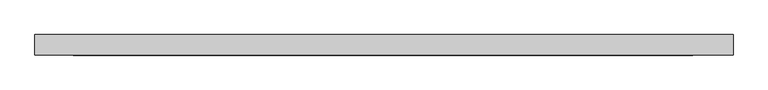
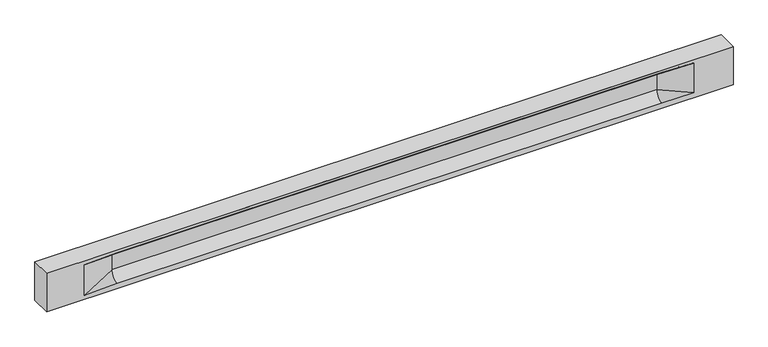
"""IFC4 building model written with IfcOpenShell, lengths in millimetres: beam geometry."""

import ifcopenshell
import ifcopenshell.guid

model = None  # the IFC model being written
_history = None  # IfcOwnerHistory: only IFC2X3 demands one
_inside = {}  # id of a spatial element -> (the spatial element, [elements in it])
_under = {}  # id of a project, library or spatial element -> (it, [spatial elements below it])
_declared = {}  # id of a project -> (the project, [libraries it declares])
_typed = {}  # id of a type object -> (the type object, [elements of that type])
_made_of = {}  # id of a material, layer set ... -> (it, [elements and type objects made of it])


def new_model(schema):
    """Start an empty IFC model of exactly this schema.

    Asked for "IFC4X3", IfcOpenShell would pick the latest addendum, in which some entities
    have other attributes; the version numbers below select the first issue.
    IFC2X3 requires an IfcOwnerHistory on every rooted entity: one is made here for all.
    """
    global model, _history
    if schema == "IFC4X3":
        model = ifcopenshell.file(schema_version=(4, 3, 0, 0))
    else:
        model = ifcopenshell.file(schema=schema)
    _inside.clear()
    _under.clear()
    _declared.clear()
    _typed.clear()
    _made_of.clear()
    _history = None
    if model.schema == "IFC2X3":
        org = make("IfcOrganization", Name="unknown")
        user = make(
            "IfcPersonAndOrganization",
            ThePerson=make("IfcPerson", FamilyName="unknown"),
            TheOrganization=org,
        )
        app = make(
            "IfcApplication",
            ApplicationDeveloper=org,
            Version="unknown",
            ApplicationFullName="unknown",
            ApplicationIdentifier="unknown",
        )
        _history = make(
            "IfcOwnerHistory",
            OwningUser=user,
            OwningApplication=app,
            ChangeAction="ADDED",
            CreationDate=0,
        )
    return model


def make(cls, **values):
    """One entity of the class cls with the attributes given. An attribute that is None is left unset."""
    return model.create_entity(
        cls, **{name: value for name, value in values.items() if value is not None}
    )


def rooted(cls, **values):
    """An entity with a GlobalId (a new one), such as an element, a storey or a relation."""
    return make(cls, GlobalId=ifcopenshell.guid.new(), OwnerHistory=_history, **values)


def si_unit(unit_type, name, prefix=None):
    """IfcSIUnit, for example si_unit("LENGTHUNIT", "METRE", prefix="MILLI")."""
    return make("IfcSIUnit", UnitType=unit_type, Prefix=prefix, Name=name)


def assignment(units):
    """IfcUnitAssignment: the units of a project."""
    return None if units is None else make("IfcUnitAssignment", Units=units)


def point(xyz):
    """IfcCartesianPoint."""
    return None if xyz is None else make("IfcCartesianPoint", Coordinates=xyz)


def direction(xyz):
    """IfcDirection."""
    return None if xyz is None else make("IfcDirection", DirectionRatios=xyz)


def frame(location, z_axis=None, x_axis=None):
    """IfcAxis2Placement3D, a coordinate frame: its origin and axes. An axis left out is left unset."""
    return make(
        "IfcAxis2Placement3D",
        Location=point(location),
        Axis=direction(z_axis),
        RefDirection=direction(x_axis),
    )


def origin():
    """The frame at (0, 0, 0) with its axes left unset."""
    return frame((0.0, 0.0, 0.0))


def place(relative_to, where):
    """IfcLocalPlacement: puts the frame where relative to a parent placement (None: the world)."""
    return make(
        "IfcLocalPlacement", PlacementRelTo=relative_to, RelativePlacement=where
    )


def context(
    kind, dimensions, precision=None, world=None, true_north=None, identifier=None
):
    """IfcGeometricRepresentationContext, for example the 3D "Model" context."""
    return make(
        "IfcGeometricRepresentationContext",
        ContextIdentifier=identifier,
        ContextType=kind,
        CoordinateSpaceDimension=dimensions,
        Precision=precision,
        WorldCoordinateSystem=world,
        TrueNorth=true_north,
    )


def project(units=None, contexts=None):
    """IfcProject with its units and contexts."""
    return rooted(
        "IfcProject",
        Name="project",
        RepresentationContexts=contexts,
        UnitsInContext=assignment(units),
    )


def spatial(cls, under=None, at=None, **own):
    """A site, building, storey or space (cls), placed at a placement, below another one or the project."""
    s = rooted(cls, ObjectPlacement=at, **own)
    if under is not None:
        _under.setdefault(under.id(), (under, []))[1].append(s)
    return s


def polyline(points):
    """IfcPolyline through the points."""
    return make("IfcPolyline", Points=[point(p) for p in points])


def circle_curve(where, radius):
    """IfcCircle in the frame where."""
    return make("IfcCircle", Position=where, Radius=radius)


def shape(context_of_items, identifier, shape_type, items):
    """IfcShapeRepresentation: the items that make up one representation, for example the "Body"."""
    return make(
        "IfcShapeRepresentation",
        ContextOfItems=context_of_items,
        RepresentationIdentifier=identifier,
        RepresentationType=shape_type,
        Items=items,
    )


def source(mapping_origin, context_of_items, identifier, shape_type, items):
    """IfcRepresentationMap: a shape defined once, which mapped items show again and again."""
    return make(
        "IfcRepresentationMap",
        MappingOrigin=mapping_origin,
        MappedRepresentation=shape(context_of_items, identifier, shape_type, items),
    )


def transform(
    local_origin,
    x_axis=None,
    y_axis=None,
    z_axis=None,
    scale=None,
    scale2=None,
    scale3=None,
    uniform=True,
):
    """IfcCartesianTransformationOperator3D, or its non-uniform kind. x_axis, y_axis, z_axis: its Axis1, 2, 3."""
    if uniform:
        return make(
            "IfcCartesianTransformationOperator3D",
            Axis1=direction(x_axis),
            Axis2=direction(y_axis),
            LocalOrigin=point(local_origin),
            Scale=scale,
            Axis3=direction(z_axis),
        )
    return make(
        "IfcCartesianTransformationOperator3DnonUniform",
        Axis1=direction(x_axis),
        Axis2=direction(y_axis),
        LocalOrigin=point(local_origin),
        Scale=scale,
        Axis3=direction(z_axis),
        Scale2=scale2,
        Scale3=scale3,
    )


def mapped(mapping_source, mapping_target):
    """IfcMappedItem: shows the shape of a source again, moved by a transform."""
    return make(
        "IfcMappedItem", MappingSource=mapping_source, MappingTarget=mapping_target
    )


def made_of(thing, what):
    """Note that an element or type object is made of a material, layer set ...; save() writes the relation."""
    if what is not None:
        _made_of.setdefault(what.id(), (what, []))[1].append(thing)
    return thing


def element(
    cls,
    number,
    at=None,
    inside=None,
    cuts=None,
    type_object=None,
    material=None,
    context=None,
    identifier="Body",
    shape_type=None,
    held_by="IfcProductDefinitionShape",
    body=None,
    shapes=None,
    **own,
):
    """One element of the class cls, such as IfcWall. Its Tag is "e" and its number.

    at: its placement. inside: the storey or other place that contains it. cuts: it is an
    opening in that element (IfcRelVoidsElement). A single representation is given by context,
    identifier, shape_type and body (its items); several are given by shapes. held_by: the class
    of the entity that holds the representations. save() writes the other relations.
    """
    e = rooted(cls, Tag="e%d" % number, ObjectPlacement=at, **own)
    if body is not None:
        shapes = [shape(context, identifier, shape_type, body)]
    if shapes is not None:
        e.Representation = make(held_by, Representations=shapes)
    if inside is not None:
        _inside.setdefault(inside.id(), (inside, []))[1].append(e)
    if cuts is not None:
        rooted(
            "IfcRelVoidsElement", RelatingBuildingElement=cuts, RelatedOpeningElement=e
        )
    if type_object is not None:
        _typed.setdefault(type_object.id(), (type_object, []))[1].append(e)
    return made_of(e, material)


def aggregate(whole, parts):
    """IfcRelAggregates: a whole, such as a stair, and the parts it consists of."""
    return rooted("IfcRelAggregates", RelatingObject=whole, RelatedObjects=parts)


def save(model, path):
    """Write the relations noted so far, then the file.

    IfcRelAggregates (storeys below a building ...), IfcRelContainedInSpatialStructure (elements
    in a storey), IfcRelDefinesByType, IfcRelAssociatesMaterial and IfcRelDeclares: one each for
    every whole, place, type object, material and project.
    """
    for whole, parts in _under.values():
        aggregate(whole, parts)
    for where, things in _inside.values():
        rooted(
            "IfcRelContainedInSpatialStructure",
            RelatedElements=things,
            RelatingStructure=where,
        )
    for kind, things in _typed.values():
        rooted("IfcRelDefinesByType", RelatedObjects=things, RelatingType=kind)
    for what, things in _made_of.values():
        rooted("IfcRelAssociatesMaterial", RelatedObjects=things, RelatingMaterial=what)
    for by, libraries in _declared.values():
        rooted("IfcRelDeclares", RelatingContext=by, RelatedDefinitions=libraries)
    model.write(path)


def plane_surface(at):
    """IfcPlane: the flat surface through the origin of the frame at, square to its z axis."""
    return make("IfcPlane", Position=at)


def revolved_surface(curve, axis_point, axis_direction):
    """IfcSurfaceOfRevolution: the curve turned about the line through axis_point along axis_direction."""
    return make(
        "IfcSurfaceOfRevolution",
        SweptCurve=make("IfcArbitraryOpenProfileDef", ProfileType="CURVE", Curve=curve),
        AxisPosition=make("IfcAxis1Placement", Location=point(axis_point), Axis=direction(axis_direction)),
    )


def spline_surface(u_degree, v_degree, points, u_multiplicities, v_multiplicities, u_knots, v_knots, weights=None):
    """IfcBSplineSurfaceWithKnots; with weights, IfcRationalBSplineSurfaceWithKnots. points: one row for each step in u."""
    own = dict(
        UDegree=u_degree,
        VDegree=v_degree,
        ControlPointsList=[[point(p) for p in row] for row in points],
        SurfaceForm="UNSPECIFIED",
        UClosed=False,
        VClosed=False,
        SelfIntersect=False,
        UMultiplicities=u_multiplicities,
        VMultiplicities=v_multiplicities,
        UKnots=u_knots,
        VKnots=v_knots,
        KnotSpec="UNSPECIFIED",
    )
    if weights is None:
        return make("IfcBSplineSurfaceWithKnots", **own)
    return make("IfcRationalBSplineSurfaceWithKnots", WeightsData=weights, **own)


def advanced_brep(points, edges, surfaces, faces):
    """IfcAdvancedBrep: a solid bounded by faces that lie on surfaces and meet in shared edges.

    An edge is (start, end): straight between two places in points (the first is 0);
    or (start, end, curve); or (start, end, curve, False) where it runs against its curve.
    A face is (place in surfaces, loops), or (place, loops, False) where it looks against
    its surface's normal. A loop lists edges by number (the first is 1), with a minus sign
    where the edge is run from its end to its start. The first loop is the outer one.
    """
    corners = [point(p) for p in points]
    vertices = [make("IfcVertexPoint", VertexGeometry=c) for c in corners]
    made = []
    for start, end, *more in edges:
        made.append(
            make(
                "IfcEdgeCurve",
                EdgeStart=vertices[start],
                EdgeEnd=vertices[end],
                EdgeGeometry=more[0] if more else make("IfcPolyline", Points=[corners[start], corners[end]]),
                SameSense=more[1] if len(more) > 1 else True,
            )
        )
    hull = []
    for where, loops, *sense in faces:
        bounds = []
        for j, loop in enumerate(loops):
            ring = [make("IfcOrientedEdge", EdgeElement=made[abs(k) - 1], Orientation=k > 0) for k in loop]
            bounds.append(
                make(
                    "IfcFaceOuterBound" if j == 0 else "IfcFaceBound",
                    Bound=make("IfcEdgeLoop", EdgeList=ring),
                    Orientation=True,
                )
            )
        hull.append(make("IfcAdvancedFace", Bounds=bounds, FaceSurface=surfaces[where], SameSense=sense[0] if sense else True))
    return make("IfcAdvancedBrep", Outer=make("IfcClosedShell", CfsFaces=hull))


def beam_95564ae6(model_context):
    return source(origin(), model_context, "Body", "AdvancedBrep", [
        advanced_brep(
        [(8477.0, -250.0, 500.0), (8477.0, -250.0, -500.0), (8477.0, 250.0, -500.0), (8477.0, 250.0, 500.0), (-8477.0, -250.0, 500.0), (-8477.0, -250.0, -500.0), (7502.0, -250.0, -362.0), (6702.0, -250.0, -360.0), (-6747.0, -250.0, -360.0), (-7547.0, -250.0, -400.0), (-7547.0, -250.0, 400.0), (-6747.0, -250.0, 435.0), (6702.0, -250.0, 435.0), (7502.0, -250.0, 400.0), (-8477.0, 250.0, -500.0), (-8477.0, 250.0, 500.0), (7502.0, 250.0, 400.0), (6702.0, 250.0, 435.0), (-6747.0, 250.0, 435.0), (-7547.0, 250.0, 400.0), (-7547.0, 250.0, -400.0), (-6747.0, 250.0, -360.0), (6702.0, 250.0, -360.0), (7502.0, 250.0, -362.0), (6702.0, 155.0, 405.0), (-6747.0, 155.0, 405.0), (6702.0, 60.0, 262.777021), (-6747.0, 60.0, 262.777021), (6702.0, 60.0, -120.0), (-6747.0, 60.0, -120.0), (6702.0, -60.0, -120.0), (-6747.0, -60.0, -120.0), (6702.0, -60.0, 262.777021), (-6747.0, -60.0, 262.777021), (6702.0, -155.0, 405.0), (-6747.0, -155.0, 405.0)],
        [
            (0, 1),
            (1, 2),
            (2, 3),
            (3, 0),
            (0, 4),
            (4, 5),
            (5, 1),
            (6, 7),
            (7, 8),
            (8, 9),
            (9, 10),
            (10, 11),
            (11, 12),
            (12, 13),
            (13, 6),
            (5, 14),
            (14, 2),
            (14, 15),
            (15, 3),
            (16, 17),
            (17, 18),
            (18, 19),
            (19, 20),
            (20, 21),
            (21, 22),
            (22, 23),
            (23, 16),
            (15, 4),
            (17, 24),
            (24, 25),
            (25, 18),
            (24, 26, circle_curve(frame((6702.0, 213.9598725, 262.777021), z_axis=(1.0, 0.0, 0.0), x_axis=(0.0, 1.0, 0.0)), 153.9598725)),
            (26, 27),
            (27, 25, circle_curve(frame((-6747.0, 213.9598725, 262.777021), z_axis=(-1.0, 0.0, 0.0), x_axis=(0.0, 1.0, 0.0)), 153.9598725)),
            (26, 28),
            (28, 29),
            (29, 27),
            (28, 22, circle_curve(frame((6702.0, 306.5789474, -120.0), z_axis=(1.0, 0.0, 0.0), x_axis=(0.0, 1.0, 0.0)), 246.5789474)),
            (21, 29, circle_curve(frame((-6747.0, 306.5789474, -120.0), z_axis=(-1.0, 0.0, 0.0), x_axis=(0.0, 1.0, 0.0)), 246.5789474)),
            (7, 30, circle_curve(frame((6702.0, -306.5789474, -120.0), z_axis=(1.0, 0.0, 0.0), x_axis=(0.0, 1.0, 0.0)), 246.5789474)),
            (30, 31),
            (31, 8, circle_curve(frame((-6747.0, -306.5789474, -120.0), z_axis=(-1.0, 0.0, 0.0), x_axis=(0.0, 1.0, 0.0)), 246.5789474)),
            (30, 32),
            (32, 33),
            (33, 31),
            (32, 34, circle_curve(frame((6702.0, -213.9598725, 262.777021), z_axis=(1.0, 0.0, 0.0), x_axis=(0.0, 1.0, 0.0)), 153.9598725)),
            (34, 35),
            (35, 33, circle_curve(frame((-6747.0, -213.9598725, 262.777021), z_axis=(-1.0, 0.0, 0.0), x_axis=(0.0, 1.0, 0.0)), 153.9598725)),
            (34, 12),
            (11, 35),
            (27, 19),
            (19, 25),
            (10, 35),
            (10, 33),
            (9, 31),
            (20, 29),
            (34, 13),
            (32, 13),
            (30, 6),
            (28, 23),
            (26, 16),
            (24, 16),
        ],
        [
            plane_surface(frame((8477.0, 0.0, 0.0), z_axis=(1.0, 0.0, 0.0), x_axis=(0.0, 0.0, 1.0))),
            plane_surface(frame((8477.0, -250.0, 500.0), z_axis=(0.0, -1.0, 0.0), x_axis=(-1.0, 0.0, 0.0))),
            plane_surface(frame((8477.0, -250.0, -500.0), z_axis=(0.0, 0.0, -1.0), x_axis=(-1.0, 0.0, 0.0))),
            plane_surface(frame((8477.0, 250.0, -500.0), z_axis=(0.0, 1.0, 0.0), x_axis=(-1.0, 0.0, 0.0))),
            plane_surface(frame((8477.0, 250.0, 500.0), z_axis=(0.0, 0.0, 1.0), x_axis=(-1.0, 0.0, 0.0))),
            plane_surface(frame((-6747.0, 250.0, 435.0), z_axis=(0.0, 0.30113136793710954, -0.9535826651341378), x_axis=(1.0, 0.0, 0.0))),
            revolved_surface(polyline([(6702.0, 367.919745, 262.777021), (-6747.0, 367.919745, 262.777021)]), (-6747.0, 213.9598725, 262.777021), (1.0, 0.0, 0.0)),
            plane_surface(frame((-6747.0, 60.0, 262.777021), z_axis=(0.0, 1.0, 0.0), x_axis=(1.0, 0.0, 0.0))),
            revolved_surface(polyline([(6702.0, 553.1578948, -120.0), (-6747.0, 553.1578948, -120.0)]), (-6747.0, 306.5789474, -120.0), (1.0, 0.0, 0.0)),
            revolved_surface(polyline([(6702.0, -60.0, -120.0), (-6747.0, -60.0, -120.0)]), (-6747.0, -306.5789474, -120.0), (1.0, 0.0, 0.0)),
            plane_surface(frame((-6747.0, -60.0, -120.0), z_axis=(0.0, -1.0, 0.0), x_axis=(1.0, 0.0, 0.0))),
            revolved_surface(polyline([(6702.0, -60.0, 262.777021), (-6747.0, -60.0, 262.777021)]), (-6747.0, -213.9598725, 262.777021), (1.0, 0.0, 0.0)),
            plane_surface(frame((-6747.0, -155.0, 405.0), z_axis=(0.0, -0.30113136793710693, -0.9535826651341387), x_axis=(1.0, 0.0, 0.0))),
            spline_surface(2, 1, [[(-7547.0, 250.0, 400.0), (-6747.0, 60.0, 262.777021)], [(-7547.0, 250.0, 400.0), (-6747.0, 59.99999995452379, 365.6168572954922)], [(-7547.0, 250.0, 400.0), (-6747.0, 155.0, 405.0)]], [3, 3], [2, 2], [0.0, 1.0], [0.0, 1.0], weights=[[1.0, 1.0], [0.8315515921160737, 0.8315515921160737], [1.0, 1.0]]),
            plane_surface(frame((-7547.0, 250.0, 400.0), z_axis=(0.04168298285568759, 0.30086965068766386, -0.9527538938442265), x_axis=(0.0, 0.9535826651341378, 0.30113136793710954))),
            plane_surface(frame((-7547.0, -250.0, 400.0), z_axis=(0.041682982855687625, -0.30086965068766125, -0.9527538938442274), x_axis=(0.0, 0.9535826651341387, -0.30113136793710693))),
            spline_surface(2, 1, [[(-7547.0, -250.0, 400.0), (-6747.0, -155.0, 405.0)], [(-7547.0, -250.0, 400.0), (-6747.0, -60.00000008030692, 365.6168572114734)], [(-7547.0, -250.0, 400.0), (-6747.0, -60.0, 262.777021)]], [3, 3], [2, 2], [0.0, 1.0], [0.0, 1.0], weights=[[1.0, 1.0], [0.8315515924557569, 0.8315515924557569], [1.0, 1.0]]),
            plane_surface(frame((-7547.0, -250.0, 0.0), z_axis=(0.2310724307958988, -0.9729365507195599, 0.0), x_axis=(0.0, 0.0, -1.0))),
            spline_surface(2, 1, [[(-7547.0, -250.0, -400.0), (-6747.0, -60.0, -120.0)], [(-7547.0, -250.0, -400.0), (-6747.0, -59.99999998020837, -315.20833333333337)], [(-7547.0, -250.0, -400.0), (-6747.0, -250.0, -360.0)]], [3, 3], [2, 2], [0.0, 1.0], [0.0, 1.0], weights=[[1.0, 1.0], [0.7840458244617614, 0.7840458244617614], [1.0, 1.0]]),
            spline_surface(2, 1, [[(-7547.0, 250.0, -400.0), (-6747.0, 250.0, -360.0)], [(-7547.0, 250.0, -400.0), (-6747.0, 60.00000002887427, -315.20833329480604)], [(-7547.0, 250.0, -400.0), (-6747.0, 60.0, -120.0)]], [3, 3], [2, 2], [0.0, 1.0], [0.0, 1.0], weights=[[1.0, 1.0], [0.7840458245391329, 0.7840458245391329], [1.0, 1.0]]),
            plane_surface(frame((-7547.0, 250.0, 0.0), z_axis=(0.23107243079589448, 0.9729365507195609, 0.0), x_axis=(0.0, 0.0, 1.0))),
            plane_surface(frame((-8477.0, 0.0, 0.0), z_axis=(-1.0, 0.0, 0.0), x_axis=(0.0, 0.0, 1.0))),
            plane_surface(frame((6702.0, -202.5, 420.0), z_axis=(-0.041682982855687396, -0.30086965068766125, -0.9527538938442274), x_axis=(0.0, 0.9535826651341387, -0.30113136793710693))),
            spline_surface(2, 1, [[(6702.0, -155.0, 405.0), (7502.0, -250.0, 400.0)], [(6702.0, -60.00000008030692, 365.6168572114734), (7502.0, -250.0, 400.0)], [(6702.0, -60.0, 262.777021), (7502.0, -250.0, 400.0)]], [3, 3], [2, 2], [0.0, 1.0], [0.0, 1.0], weights=[[1.0, 1.0], [0.8315515924557569, 0.8315515924557569], [1.0, 1.0]]),
            plane_surface(frame((6702.0, -60.0, 71.3885105), z_axis=(-0.23107243079589707, -0.9729365507195603, 0.0), x_axis=(0.0, 0.0, -1.0))),
            spline_surface(2, 1, [[(6702.0, -60.0, -120.0), (7502.0, -250.0, -362.0)], [(6702.0, -59.99999998020837, -315.20833333333337), (7502.0, -250.0, -362.0)], [(6702.0, -250.0, -360.0), (7502.0, -250.0, -362.0)]], [3, 3], [2, 2], [0.0, 1.0], [0.0, 1.0], weights=[[1.0, 1.0], [0.7840458244617614, 0.7840458244617614], [1.0, 1.0]]),
            spline_surface(2, 1, [[(6702.0, 250.0, -360.0), (7502.0, 250.0, -362.0)], [(6702.0, 60.00000002887427, -315.20833329480604), (7502.0, 250.0, -362.0)], [(6702.0, 60.0, -120.0), (7502.0, 250.0, -362.0)]], [3, 3], [2, 2], [0.0, 1.0], [0.0, 1.0], weights=[[1.0, 1.0], [0.7840458245391329, 0.7840458245391329], [1.0, 1.0]]),
            plane_surface(frame((6702.0, 60.0, 71.3885105), z_axis=(-0.23107243079589063, 0.9729365507195618, 0.0), x_axis=(0.0, 0.0, 1.0))),
            spline_surface(2, 1, [[(6702.0, 60.0, 262.777021), (7502.0, 250.0, 400.0)], [(6702.0, 59.99999995452379, 365.6168572954922), (7502.0, 250.0, 400.0)], [(6702.0, 155.0, 405.0), (7502.0, 250.0, 400.0)]], [3, 3], [2, 2], [0.0, 1.0], [0.0, 1.0], weights=[[1.0, 1.0], [0.8315515921160737, 0.8315515921160737], [1.0, 1.0]]),
            plane_surface(frame((6702.0, 202.5, 420.0), z_axis=(-0.04168298285568666, 0.30086965068766386, -0.9527538938442265), x_axis=(0.0, 0.9535826651341378, 0.30113136793710954))),
        ],
        [
            (0, [[1, 2, 3, 4]]),
            (1, [[-1, 5, 6, 7], [8, 9, 10, 11, 12, 13, 14, 15]]),
            (2, [[-2, -7, 16, 17]]),
            (3, [[-3, -17, 18, 19], [20, 21, 22, 23, 24, 25, 26, 27]]),
            (4, [[-5, -4, -19, 28]]),
            (5, [[-21, 29, 30, 31]]),
            (6, [[-30, 32, 33, 34]]),
            (7, [[-33, 35, 36, 37]]),
            (8, [[-36, 38, -25, 39]]),
            (9, [[-9, 40, 41, 42]]),
            (10, [[-41, 43, 44, 45]]),
            (11, [[-44, 46, 47, 48]]),
            (12, [[-47, 49, -13, 50]]),
            (13, [[51, 52, -34]]),
            (14, [[-52, -22, -31]]),
            (15, [[-12, 53, -50]]),
            (16, [[-53, 54, -48]]),
            (17, [[-54, -11, 55, -45]]),
            (18, [[-55, -10, -42]]),
            (19, [[-24, 56, -39]]),
            (20, [[-51, -37, -56, -23]]),
            (21, [[-28, -18, -16, -6]]),
            (22, [[-14, -49, 57]]),
            (23, [[-57, -46, 58]]),
            (24, [[-58, -43, 59, -15]]),
            (25, [[-59, -40, -8]]),
            (26, [[-26, -38, 60]]),
            (27, [[-60, -35, 61, -27]]),
            (28, [[-61, -32, 62]]),
            (29, [[-62, -29, -20]]),
        ],
    ),
    ])


if __name__ == "__main__":
    model = new_model("IFC4")
    model_context = context("Model", 3, world=origin())
    ifc_project = project(units=[si_unit("LENGTHUNIT", "METRE", prefix="MILLI")], contexts=[model_context])
    site = spatial("IfcSite", under=ifc_project)
    building = spatial("IfcBuilding", under=site)
    placement = place(None, origin())
    beam_shape = beam_95564ae6(model_context)
    element("IfcBeam", 1, at=placement, inside=building, context=model_context, shape_type="MappedRepresentation", body=[
        mapped(beam_shape, transform((0.0, 0.0, 0.0), x_axis=(1.0, 0.0, 0.0), y_axis=(0.0, 1.0, 0.0), z_axis=(0.0, 0.0, 1.0))),
    ])
    save(model, "model.ifc")
